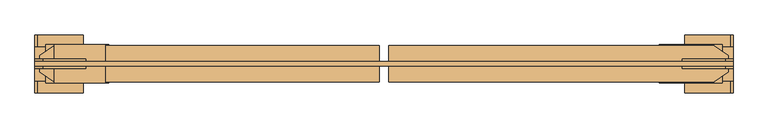
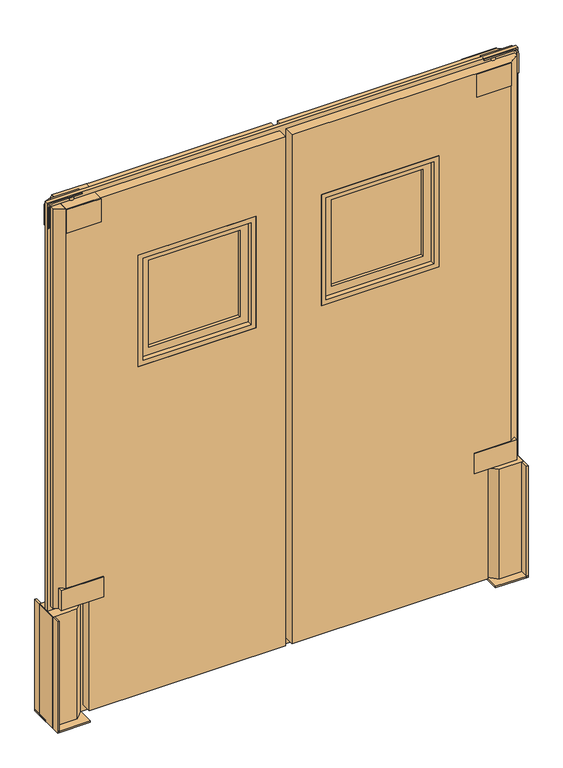
"""IFC4 building model written with IfcOpenShell, lengths in millimetres: door geometry."""

from ifc_helpers import new_model, si_unit, point, frame, frame_2d, origin, origin_with_axes, place, context, project, spatial, polyline, circle_curve, trimmed, segment, composite_curve, outline, extrude, faceted_brep, source, transform, mapped, element, save
from ifc_brep_helpers import plane_surface, cylinder_surface, advanced_brep


def door_900ea856(model_context):
    return source(origin(), model_context, "Body", "SolidModel", [
        extrude(outline(polyline([(-873.125, 40.9221192), (-708.025, 40.9221192), (-708.025, -60.6778808), (-873.125, -60.6778808), (-873.125, 40.9221192)])), frame((0.0, 0.0, 476.25), z_axis=(0.0, 0.0, 1.0), x_axis=(1.0, 0.0, 0.0)), (0.0, 0.0, 1.0), 82.55),
        extrude(outline(polyline([(-860.425, -3.5278808), (-847.725, -3.5278808), (-847.725, -16.2278808), (-860.425, -16.2278808), (-860.425, -3.5278808)])), frame((0.0, 0.0, 457.2), z_axis=(0.0, 0.0, 1.0), x_axis=(1.0, 0.0, 0.0)), (0.0, 0.0, 1.0), 19.05),
        extrude(outline(polyline([(-901.7, -54.3278808), (-901.7, 34.5721192), (-806.45, 34.5721192), (-779.5092316, 7.6313509), (-779.5092316, -27.3871124), (-806.45, -54.3278808), (-901.7, -54.3278808)])), origin_with_axes(), (0.0, 0.0, 1.0), 457.2),
        extrude(outline(polyline([(-895.35, -86.0778808), (-901.7, -86.0778808), (-901.7, 66.3221192), (-895.35, 66.3221192), (-895.35, -86.0778808)])), origin_with_axes(), (0.0, 0.0, 1.0), 457.2),
        extrude(outline(polyline([(-901.7, -86.0778808), (-901.7, 66.3221192), (-774.7, 66.3221192), (-774.7, -86.0778808), (-901.7, -86.0778808)])), origin_with_axes(), (0.0, 0.0, 1.0), 6.35),
        extrude(outline(polyline([(898.525, -60.6778808), (733.425, -60.6778808), (733.425, 40.9221192), (898.525, 40.9221192), (898.525, -60.6778808)])), frame((0.0, 0.0, 476.25), z_axis=(0.0, 0.0, 1.0), x_axis=(1.0, 0.0, 0.0)), (0.0, 0.0, 1.0), 82.55),
        extrude(outline(polyline([(885.825, -16.2278808), (873.125, -16.2278808), (873.125, -3.5278808), (885.825, -3.5278808), (885.825, -16.2278808)])), frame((0.0, 0.0, 457.2), z_axis=(0.0, 0.0, 1.0), x_axis=(1.0, 0.0, 0.0)), (0.0, 0.0, 1.0), 19.05),
        extrude(outline(polyline([(927.1, 34.5721192), (927.1, -54.3278808), (831.85, -54.3278808), (804.9092316, -27.3871124), (804.9092316, 7.6313509), (831.85, 34.5721192), (927.1, 34.5721192)])), origin_with_axes(), (0.0, 0.0, 1.0), 457.2),
        extrude(outline(polyline([(920.75, 66.3221192), (927.1, 66.3221192), (927.1, -86.0778808), (920.75, -86.0778808), (920.75, 66.3221192)])), origin_with_axes(), (0.0, 0.0, 1.0), 457.2),
        extrude(outline(polyline([(927.1, 66.3221192), (927.1, -86.0778808), (800.1, -86.0778808), (800.1, 66.3221192), (927.1, 66.3221192)])), origin_with_axes(), (0.0, 0.0, 1.0), 6.35),
        extrude(outline(polyline([(1371.6, -571.5), (1371.6, -114.3), (1828.8, -114.3), (1828.8, -571.5), (1371.6, -571.5)]), holes=[polyline([(1390.65, -552.45), (1809.75, -552.45), (1809.75, -133.35), (1390.65, -133.35), (1390.65, -552.45)])]), frame((0.0, -57.5028808, 0.0), z_axis=(0.0, 1.0, 0.0), x_axis=(0.0, 0.0, 1.0)), (0.0, 0.0, 1.0), 95.25),
        extrude(outline(polyline([(1371.6, 139.7), (1371.6, 596.9), (1828.8, 596.9), (1828.8, 139.7), (1371.6, 139.7)]), holes=[polyline([(1390.65, 158.75), (1809.75, 158.75), (1809.75, 577.85), (1390.65, 577.85), (1390.65, 158.75)])]), frame((0.0, -57.5028808, 0.0), z_axis=(0.0, 1.0, 0.0), x_axis=(0.0, 0.0, 1.0)), (0.0, 0.0, 1.0), 95.25),
        extrude(outline(polyline([(2133.6, 927.1), (2133.6, -901.7), (0.0, -901.7), (0.0, 927.1), (2133.6, 927.1)]), holes=[polyline([(1371.6, -571.5), (1828.8, -571.5), (1828.8, -114.3), (1371.6, -114.3), (1371.6, -571.5)]), polyline([(1371.6, 139.7), (1828.8, 139.7), (1828.8, 596.9), (1371.6, 596.9), (1371.6, 139.7)])]), frame((0.0, -16.2278808, 0.0), z_axis=(0.0, 1.0, 0.0), x_axis=(0.0, 0.0, 1.0)), (0.0, 0.0, 1.0), 12.7),
        extrude(outline(polyline([(-850.9, 40.9221192), (-717.3618521, 40.9221192), (-717.3618521, -60.6778808), (-850.9, -60.6778808), (-850.9, 40.9221192)])), frame((0.0, 0.0, 2019.3), z_axis=(0.0, 0.0, 1.0), x_axis=(1.0, 0.0, 0.0)), (0.0, 0.0, 1.0), 95.25),
        extrude(outline(composite_curve([segment(polyline([(2133.6, 793.75), (2128.8375, 793.75), (2128.8375, 906.4625)]), True, "CONTINUOUS"), segment(trimmed(circle_curve(frame_2d((2112.9625, 906.4625)), 15.875), [point((2128.8375, 906.4625))], [point((2112.9625, 922.3375))], True, "CARTESIAN"), True, "CONTINUOUS"), segment(polyline([(2112.9625, 922.3375), (2032.0, 922.3375), (2032.0, 927.1), (2112.9625, 927.1)]), True, "CONTINUOUS"), segment(trimmed(circle_curve(frame_2d((2112.9625, 906.4625)), 20.6375), [point((2112.9625, 927.1))], [point((2133.6, 906.4625))], False, "CARTESIAN"), True, "CONTINUOUS"), segment(polyline([(2133.6, 906.4625), (2133.6, 793.75)]), True, "CONTINUOUS")], self_intersect=False)), frame((0.0, -22.5778808, 0.0), z_axis=(0.0, 1.0, 0.0), x_axis=(0.0, 0.0, 1.0)), (0.0, 0.0, 1.0), 25.4),
        extrude(outline(composite_curve([segment(polyline([(2133.6, -768.35), (2133.6, -881.0625)]), True, "CONTINUOUS"), segment(trimmed(circle_curve(frame_2d((2112.9625, -881.0625)), 20.6375), [point((2133.6, -881.0625))], [point((2112.9625, -901.7))], False, "CARTESIAN"), True, "CONTINUOUS"), segment(polyline([(2112.9625, -901.7), (2032.0, -901.7), (2032.0, -896.9375), (2112.9625, -896.9375)]), True, "CONTINUOUS"), segment(trimmed(circle_curve(frame_2d((2112.9625, -881.0625)), 15.875), [point((2112.9625, -896.9375))], [point((2128.8375, -881.0625))], True, "CARTESIAN"), True, "CONTINUOUS"), segment(polyline([(2128.8375, -881.0625), (2128.8375, -768.35), (2133.6, -768.35)]), True, "CONTINUOUS")], self_intersect=False)), frame((0.0, -22.5778808, 0.0), z_axis=(0.0, 1.0, 0.0), x_axis=(0.0, 0.0, 1.0)), (0.0, 0.0, 1.0), 25.4),
        faceted_brep([(0.0, 37.7471192, 2114.55), (0.0, 37.7471192, 25.4), (-762.0, 37.7471192, 25.4), (-762.0, 37.7471192, 476.25), (-850.9, 37.7471192, 476.25), (-850.9, 37.7471192, 2114.55), (-571.5, 37.7471192, 1828.8), (-571.5, 37.7471192, 1371.6), (-114.3, 37.7471192, 1371.6), (-114.3, 37.7471192, 1828.8), (0.0, -57.5028808, 25.4), (0.0, -57.5028808, 2114.55), (-850.9, -57.5028808, 2114.55), (-850.9, -57.5028808, 476.25), (-762.0, -57.5028808, 476.25), (-762.0, -57.5028808, 25.4), (-571.5, -57.5028808, 1371.6), (-571.5, -57.5028808, 1828.8), (-114.3, -57.5028808, 1828.8), (-114.3, -57.5028808, 1371.6), (-889.0, 12.3471192, 476.25), (-889.0, -32.1028808, 476.25), (-889.0, -32.1028808, 2114.55), (-889.0, 12.3471192, 2114.55)], [[[0, 1, 2, 3, 4, 5], [6, 7, 8, 9]], [[10, 11, 12, 13, 14, 15], [16, 17, 18, 19]], [[1, 0, 11, 10]], [[1, 10, 15, 2]], [[20, 21, 22, 23]], [[11, 0, 5, 23, 22, 12]], [[16, 7, 6, 17]], [[17, 6, 9, 18]], [[18, 9, 8, 19]], [[7, 16, 19, 8]], [[14, 3, 2, 15]], [[3, 14, 13, 21, 20, 4]], [[5, 4, 20, 23]], [[13, 12, 22, 21]]]),
        faceted_brep([(25.4, 37.7471192, 25.4), (25.4, 37.7471192, 2114.55), (876.3, 37.7471192, 2114.55), (876.3, 37.7471192, 476.25), (787.4, 37.7471192, 476.25), (787.4, 37.7471192, 25.4), (139.7, 37.7471192, 1828.8), (139.7, 37.7471192, 1371.6), (596.9, 37.7471192, 1371.6), (596.9, 37.7471192, 1828.8), (25.4, -57.5028808, 2114.55), (25.4, -57.5028808, 25.4), (787.4, -57.5028808, 25.4), (787.4, -57.5028808, 476.25), (876.3, -57.5028808, 476.25), (876.3, -57.5028808, 2114.55), (139.7, -57.5028808, 1371.6), (139.7, -57.5028808, 1828.8), (596.9, -57.5028808, 1828.8), (596.9, -57.5028808, 1371.6), (914.4, -32.1028808, 2114.55), (914.4, 12.3471192, 2114.55), (914.4, -32.1028808, 476.25), (914.4, 12.3471192, 476.25)], [[[0, 1, 2, 3, 4, 5], [6, 7, 8, 9]], [[10, 11, 12, 13, 14, 15], [16, 17, 18, 19]], [[11, 0, 5, 12]], [[1, 0, 11, 10]], [[1, 10, 15, 20, 21, 2]], [[21, 20, 22, 23]], [[16, 7, 6, 17]], [[17, 6, 9, 18]], [[18, 9, 8, 19]], [[7, 16, 19, 8]], [[13, 4, 3, 23, 22, 14]], [[4, 13, 12, 5]], [[3, 2, 21, 23]], [[15, 14, 22, 20]]]),
        extrude(outline(polyline([(-520.7, 5.9971192), (-165.1, 5.9971192), (-165.1, -25.7528808), (-520.7, -25.7528808), (-520.7, 5.9971192)])), frame((0.0, 0.0, 1422.4), z_axis=(0.0, 0.0, 1.0), x_axis=(1.0, 0.0, 0.0)), (0.0, 0.0, 1.0), 355.6),
        extrude(outline(polyline([(190.5, 5.9971192), (546.1, 5.9971192), (546.1, -25.7528808), (190.5, -25.7528808), (190.5, 5.9971192)])), frame((0.0, 0.0, 1422.4), z_axis=(0.0, 0.0, 1.0), x_axis=(1.0, 0.0, 0.0)), (0.0, 0.0, 1.0), 355.6),
        extrude(outline(polyline([(1390.65, -133.35), (1809.75, -133.35), (1809.75, -552.45), (1390.65, -552.45), (1390.65, -133.35)]), holes=[polyline([(1778.0, -165.1), (1422.4, -165.1), (1422.4, -520.7), (1778.0, -520.7), (1778.0, -165.1)])]), frame((0.0, -38.4528808, 0.0), z_axis=(0.0, 1.0, 0.0), x_axis=(0.0, 0.0, 1.0)), (0.0, 0.0, 1.0), 57.15),
        extrude(outline(polyline([(1390.65, 158.75), (1390.65, 577.85), (1809.75, 577.85), (1809.75, 158.75), (1390.65, 158.75)]), holes=[polyline([(1778.0, 190.5), (1778.0, 546.1), (1422.4, 546.1), (1422.4, 190.5), (1778.0, 190.5)])]), frame((0.0, -38.4528808, 0.0), z_axis=(0.0, 1.0, 0.0), x_axis=(0.0, 0.0, 1.0)), (0.0, 0.0, 1.0), 57.15),
        extrude(outline(polyline([(742.7618521, 40.9221192), (876.3, 40.9221192), (876.3, -60.6778808), (742.7618521, -60.6778808), (742.7618521, 40.9221192)])), frame((0.0, 0.0, 2019.3), z_axis=(0.0, 0.0, 1.0), x_axis=(1.0, 0.0, 0.0)), (0.0, 0.0, 1.0), 95.25),
        advanced_brep(
        [(-795.3375, -9.8778808, 2128.8375), (-817.5625, -9.8778808, 2128.8375), (-817.5625, -9.8778808, 2114.55), (-795.3375, -9.8778808, 2114.55), (-806.45, -9.8778808, 2128.8375), (-806.45, -9.8778808, 2114.55)],
        [
            (0, 1, circle_curve(frame((-806.45, -9.8778808, 2128.8375), z_axis=(0.0, 0.0, -1.0), x_axis=(-1.0, 0.0, 0.0)), 11.1125)),
            (1, 2),
            (2, 3, circle_curve(frame((-806.45, -9.8778808, 2114.55), z_axis=(0.0, 0.0, 1.0), x_axis=(-1.0, 0.0, 0.0)), 11.1125)),
            (3, 0),
            (1, 0, circle_curve(frame((-806.45, -9.8778808, 2128.8375), z_axis=(0.0, 0.0, -1.0), x_axis=(-1.0, 0.0, 0.0)), 11.1125)),
            (3, 2, circle_curve(frame((-806.45, -9.8778808, 2114.55), z_axis=(0.0, 0.0, 1.0), x_axis=(-1.0, 0.0, 0.0)), 11.1125)),
            (4, 1),
            (0, 4),
            (2, 5),
            (5, 3),
        ],
        [
            cylinder_surface(frame((-806.45, -9.8778808, -41.502018), z_axis=(0.0, 0.0, 1.0), x_axis=(-1.0, 0.0, 0.0)), 11.1125),
            plane_surface(frame((-806.45, -9.8778808, 2128.8375), z_axis=(0.0, 0.0, 1.0), x_axis=(-1.0, 0.0, 0.0))),
            plane_surface(frame((-806.45, -9.8778808, 2114.55), z_axis=(0.0, 0.0, -1.0), x_axis=(-1.0, 0.0, 0.0))),
        ],
        [
            (0, [[1, 2, 3, 4]]),
            (0, [[5, -4, 6, -2]]),
            (1, [[7, -1, 8]]),
            (1, [[-8, -5, -7]]),
            (2, [[-3, 9, 10]]),
            (2, [[-6, -10, -9]]),
        ],
    ),
        advanced_brep(
        [(831.85, -9.8778808, 2114.55), (842.9625, -9.8778808, 2114.55), (820.7375, -9.8778808, 2114.55), (820.7375, -9.8778808, 2128.8375), (842.9625, -9.8778808, 2128.8375), (831.85, -9.8778808, 2128.8375)],
        [
            (0, 1),
            (1, 2, circle_curve(frame((831.85, -9.8778808, 2114.55), z_axis=(0.0, 0.0, -1.0), x_axis=(1.0, 0.0, 0.0)), 11.1125)),
            (2, 0),
            (2, 1, circle_curve(frame((831.85, -9.8778808, 2114.55), z_axis=(0.0, 0.0, -1.0), x_axis=(1.0, 0.0, 0.0)), 11.1125)),
            (3, 4, circle_curve(frame((831.85, -9.8778808, 2128.8375), z_axis=(0.0, 0.0, 1.0), x_axis=(1.0, 0.0, 0.0)), 11.1125)),
            (4, 5),
            (5, 3),
            (4, 3, circle_curve(frame((831.85, -9.8778808, 2128.8375), z_axis=(0.0, 0.0, 1.0), x_axis=(1.0, 0.0, 0.0)), 11.1125)),
            (1, 4),
            (3, 2),
        ],
        [
            plane_surface(frame((831.85, -9.8778808, 2114.55), z_axis=(0.0, 0.0, -1.0), x_axis=(1.0, 0.0, 0.0))),
            plane_surface(frame((831.85, -9.8778808, 2128.8375), z_axis=(0.0, 0.0, 1.0), x_axis=(1.0, 0.0, 0.0))),
            cylinder_surface(frame((831.85, -9.8778808, -41.502018), z_axis=(0.0, 0.0, -1.0), x_axis=(1.0, 0.0, 0.0)), 11.1125),
        ],
        [
            (0, [[1, 2, 3]]),
            (0, [[-3, 4, -1]]),
            (1, [[5, 6, 7]]),
            (1, [[8, -7, -6]]),
            (2, [[-2, 9, -5, 10]]),
            (2, [[-4, -10, -8, -9]]),
        ],
    ),
    ])


if __name__ == "__main__":
    model = new_model("IFC4")
    model_context = context("Model", 3, world=origin())
    ifc_project = project(units=[si_unit("LENGTHUNIT", "METRE", prefix="MILLI")], contexts=[model_context])
    site = spatial("IfcSite", under=ifc_project)
    building = spatial("IfcBuilding", under=site)
    placement = place(None, origin())
    door_shape = door_900ea856(model_context)
    element("IfcDoor", 1, at=placement, inside=building, context=model_context, shape_type="MappedRepresentation", body=[
        mapped(door_shape, transform((0.0, 0.0, 0.0), x_axis=(1.0, 0.0, 0.0), y_axis=(0.0, 1.0, 0.0), z_axis=(0.0, 0.0, 1.0))),
    ])
    save(model, "model.ifc")
